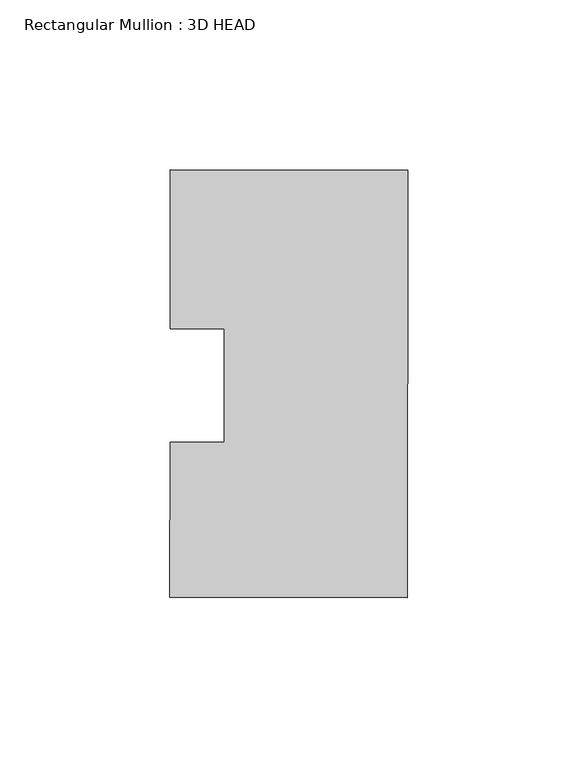
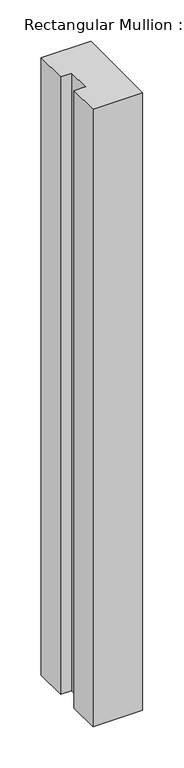
"""IFC4 building model written with IfcOpenShell, lengths in millimetres: member geometry, Rectangular Mullion : 3D HEAD."""

from ifc_helpers import new_model, si_unit, frame, origin, place, context, project, spatial, polyline, outline, extrude, source, transform, mapped, element, save


def rectangular_mullion_3d_head_e0ea11ca(model_context):
    return source(origin(), model_context, "Body", "SweptSolid", [
        extrude(outline(polyline([(-69.9433395, -16.6773033), (-54.0683503, -16.6957868), (-54.0294719, 16.6957868), (-69.9044612, 16.7142704), (-69.8499527, 63.5301323), (0.0, 63.4488048), (-0.1464486, -62.3319099), (-69.9964013, -62.2505824), (-69.9433395, -16.6773033)])), frame((0.0, 0.0, -914.4), z_axis=(0.0, 0.0, 1.0), x_axis=(1.0, 0.0, 0.0)), (0.0, 0.0, 1.0), 914.4),
    ])


if __name__ == "__main__":
    model = new_model("IFC4")
    model_context = context("Model", 3, world=origin())
    ifc_project = project(units=[si_unit("LENGTHUNIT", "METRE", prefix="MILLI")], contexts=[model_context])
    site = spatial("IfcSite", under=ifc_project)
    building = spatial("IfcBuilding", under=site)
    placement = place(None, origin())
    rectangular_mullion_3d_head_shape = rectangular_mullion_3d_head_e0ea11ca(model_context)
    element("IfcMember", 1, ObjectType="Rectangular Mullion : 3D HEAD", at=placement, inside=building, context=model_context, shape_type="MappedRepresentation", body=[
        mapped(rectangular_mullion_3d_head_shape, transform((0.0, 0.0, 0.0), x_axis=(1.0, 0.0, 0.0), y_axis=(0.0, 1.0, 0.0), z_axis=(0.0, 0.0, 1.0))),
    ])
    save(model, "model.ifc")
